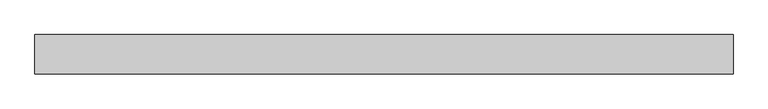
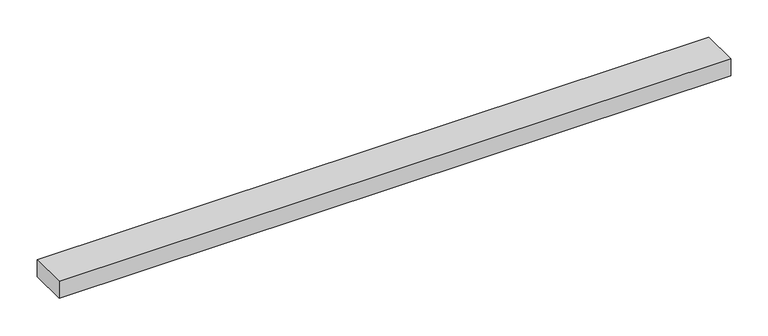
"""IFC4 building model written with IfcOpenShell, lengths in millimetres: proxy geometry."""

from ifc_helpers import new_model, si_unit, frame, origin, place, context, project, spatial, polyline, outline, extrude, source, transform, mapped, element, save


def specialty_equipment_11e1f2bf(model_context):
    return source(origin(), model_context, "Body", "SweptSolid", [
        extrude(outline(polyline([(-520.7, 29.2199219), (520.7, 29.2199219), (520.7, -29.2199219), (-520.7, -29.2199219), (-520.7, 29.2199219)])), frame((0.0, 0.0, -13.9898438), z_axis=(0.0, 0.0, 1.0), x_axis=(1.0, 0.0, 0.0)), (0.0, 0.0, 1.0), 27.9796875),
    ])


if __name__ == "__main__":
    model = new_model("IFC4")
    model_context = context("Model", 3, world=origin())
    ifc_project = project(units=[si_unit("LENGTHUNIT", "METRE", prefix="MILLI")], contexts=[model_context])
    site = spatial("IfcSite", under=ifc_project)
    building = spatial("IfcBuilding", under=site)
    placement = place(None, origin())
    specialty_equipment_shape = specialty_equipment_11e1f2bf(model_context)
    element("IfcBuildingElementProxy", 1, Name="Specialty Equipment", at=placement, inside=building, context=model_context, shape_type="MappedRepresentation", body=[
        mapped(specialty_equipment_shape, transform((0.0, 0.0, 0.0), x_axis=(1.0, 0.0, 0.0), y_axis=(0.0, 1.0, 0.0), z_axis=(0.0, 0.0, 1.0))),
    ])
    save(model, "model.ifc")
